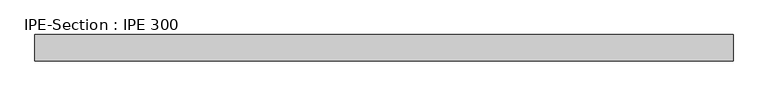
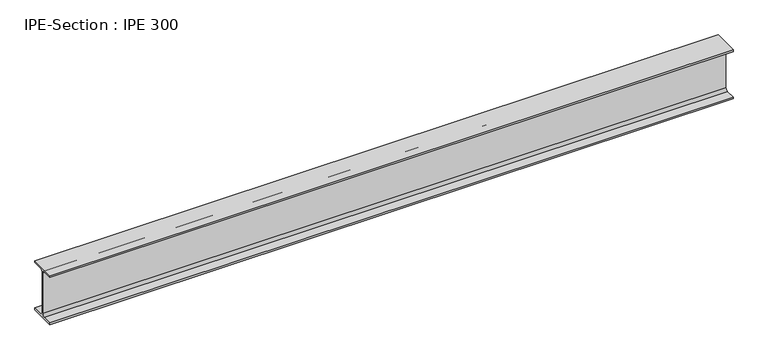
"""IFC4 building model written with IfcOpenShell, lengths in millimetres: beam geometry, IPE-Section : IPE 300."""

from ifc_helpers import new_model, si_unit, point, frame, frame_2d, origin, place, context, project, spatial, polyline, circle_curve, trimmed, segment, composite_curve, outline, extrude, source, transform, mapped, element, save


def ipe_section_ipe_300_640a4919(model_context):
    return source(origin(), model_context, "Body", "SweptSolid", [
        extrude(outline(composite_curve([segment(polyline([(75.0, -139.3), (75.0, -150.0), (-75.0, -150.0), (-75.0, -139.3), (-18.55, -139.3)]), True, "CONTINUOUS"), segment(trimmed(circle_curve(frame_2d((-18.55, -124.3)), 15.0), [point((-18.55, -139.3))], [point((-3.55, -124.3))], True, "CARTESIAN"), True, "CONTINUOUS"), segment(polyline([(-3.55, -124.3), (-3.55, 124.3)]), True, "CONTINUOUS"), segment(trimmed(circle_curve(frame_2d((-18.55, 124.3)), 15.0), [point((-3.55, 124.3))], [point((-18.55, 139.3))], True, "CARTESIAN"), True, "CONTINUOUS"), segment(polyline([(-18.55, 139.3), (-75.0, 139.3), (-75.0, 150.0), (75.0, 150.0), (75.0, 139.3), (18.55, 139.3)]), True, "CONTINUOUS"), segment(trimmed(circle_curve(frame_2d((18.55, 124.3)), 15.0), [point((18.55, 139.3))], [point((3.55, 124.3))], True, "CARTESIAN"), True, "CONTINUOUS"), segment(polyline([(3.55, 124.3), (3.55, -124.3)]), True, "CONTINUOUS"), segment(trimmed(circle_curve(frame_2d((18.55, -124.3)), 15.0), [point((3.55, -124.3))], [point((18.55, -139.3))], True, "CARTESIAN"), True, "CONTINUOUS"), segment(polyline([(18.55, -139.3), (75.0, -139.3)]), True, "CONTINUOUS")], self_intersect=False)), frame((-1975.2166667, 0.0, 0.0), z_axis=(1.0, 0.0, 0.0), x_axis=(0.0, 1.0, 0.0)), (0.0, 0.0, 1.0), 3950.4333333),
    ])


if __name__ == "__main__":
    model = new_model("IFC4")
    model_context = context("Model", 3, world=origin())
    ifc_project = project(units=[si_unit("LENGTHUNIT", "METRE", prefix="MILLI")], contexts=[model_context])
    site = spatial("IfcSite", under=ifc_project)
    building = spatial("IfcBuilding", under=site)
    placement = place(None, origin())
    ipe_section_ipe_300_shape = ipe_section_ipe_300_640a4919(model_context)
    element("IfcBeam", 1, ObjectType="IPE-Section : IPE 300", at=placement, inside=building, context=model_context, shape_type="MappedRepresentation", body=[
        mapped(ipe_section_ipe_300_shape, transform((0.0, 0.0, 0.0), x_axis=(1.0, 0.0, 0.0), y_axis=(0.0, 1.0, 0.0), z_axis=(0.0, 0.0, 1.0))),
    ])
    save(model, "model.ifc")
